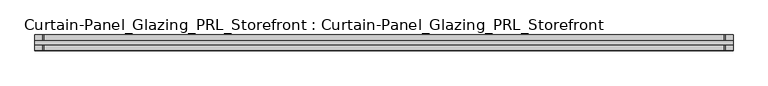
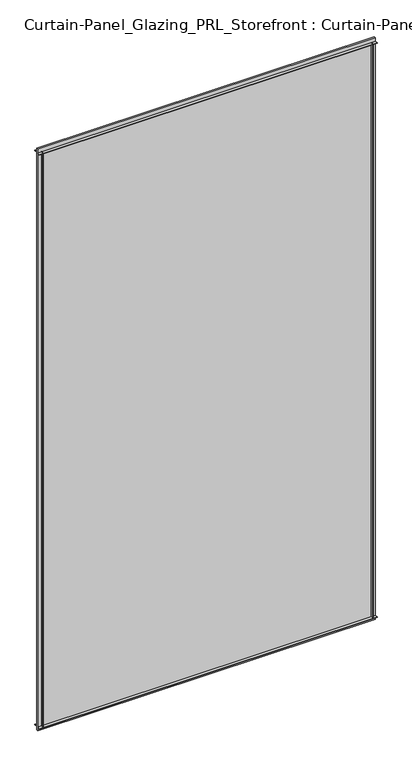
"""IFC4 building model written with IfcOpenShell, lengths in millimetres: plate geometry, Curtain-Panel_Glazing_PRL_Storefront : Curtain-Panel_Glazing_PRL_Storefront."""

import ifcopenshell
import ifcopenshell.guid

model = None  # the IFC model being written
_history = None  # IfcOwnerHistory: only IFC2X3 demands one
_inside = {}  # id of a spatial element -> (the spatial element, [elements in it])
_under = {}  # id of a project, library or spatial element -> (it, [spatial elements below it])
_declared = {}  # id of a project -> (the project, [libraries it declares])
_typed = {}  # id of a type object -> (the type object, [elements of that type])
_made_of = {}  # id of a material, layer set ... -> (it, [elements and type objects made of it])


def new_model(schema):
    """Start an empty IFC model of exactly this schema.

    Asked for "IFC4X3", IfcOpenShell would pick the latest addendum, in which some entities
    have other attributes; the version numbers below select the first issue.
    IFC2X3 requires an IfcOwnerHistory on every rooted entity: one is made here for all.
    """
    global model, _history
    if schema == "IFC4X3":
        model = ifcopenshell.file(schema_version=(4, 3, 0, 0))
    else:
        model = ifcopenshell.file(schema=schema)
    _inside.clear()
    _under.clear()
    _declared.clear()
    _typed.clear()
    _made_of.clear()
    _history = None
    if model.schema == "IFC2X3":
        org = make("IfcOrganization", Name="unknown")
        user = make(
            "IfcPersonAndOrganization",
            ThePerson=make("IfcPerson", FamilyName="unknown"),
            TheOrganization=org,
        )
        app = make(
            "IfcApplication",
            ApplicationDeveloper=org,
            Version="unknown",
            ApplicationFullName="unknown",
            ApplicationIdentifier="unknown",
        )
        _history = make(
            "IfcOwnerHistory",
            OwningUser=user,
            OwningApplication=app,
            ChangeAction="ADDED",
            CreationDate=0,
        )
    return model


def make(cls, **values):
    """One entity of the class cls with the attributes given. An attribute that is None is left unset."""
    return model.create_entity(
        cls, **{name: value for name, value in values.items() if value is not None}
    )


def rooted(cls, **values):
    """An entity with a GlobalId (a new one), such as an element, a storey or a relation."""
    return make(cls, GlobalId=ifcopenshell.guid.new(), OwnerHistory=_history, **values)


def si_unit(unit_type, name, prefix=None):
    """IfcSIUnit, for example si_unit("LENGTHUNIT", "METRE", prefix="MILLI")."""
    return make("IfcSIUnit", UnitType=unit_type, Prefix=prefix, Name=name)


def assignment(units):
    """IfcUnitAssignment: the units of a project."""
    return None if units is None else make("IfcUnitAssignment", Units=units)


def point(xyz):
    """IfcCartesianPoint."""
    return None if xyz is None else make("IfcCartesianPoint", Coordinates=xyz)


def direction(xyz):
    """IfcDirection."""
    return None if xyz is None else make("IfcDirection", DirectionRatios=xyz)


def frame(location, z_axis=None, x_axis=None):
    """IfcAxis2Placement3D, a coordinate frame: its origin and axes. An axis left out is left unset."""
    return make(
        "IfcAxis2Placement3D",
        Location=point(location),
        Axis=direction(z_axis),
        RefDirection=direction(x_axis),
    )


def origin():
    """The frame at (0, 0, 0) with its axes left unset."""
    return frame((0.0, 0.0, 0.0))


def origin_with_axes():
    """The frame at (0, 0, 0) with the z axis (0, 0, 1) and the x axis (1, 0, 0) written out."""
    return frame((0.0, 0.0, 0.0), z_axis=(0.0, 0.0, 1.0), x_axis=(1.0, 0.0, 0.0))


def place(relative_to, where):
    """IfcLocalPlacement: puts the frame where relative to a parent placement (None: the world)."""
    return make(
        "IfcLocalPlacement", PlacementRelTo=relative_to, RelativePlacement=where
    )


def context(
    kind, dimensions, precision=None, world=None, true_north=None, identifier=None
):
    """IfcGeometricRepresentationContext, for example the 3D "Model" context."""
    return make(
        "IfcGeometricRepresentationContext",
        ContextIdentifier=identifier,
        ContextType=kind,
        CoordinateSpaceDimension=dimensions,
        Precision=precision,
        WorldCoordinateSystem=world,
        TrueNorth=true_north,
    )


def project(units=None, contexts=None):
    """IfcProject with its units and contexts."""
    return rooted(
        "IfcProject",
        Name="project",
        RepresentationContexts=contexts,
        UnitsInContext=assignment(units),
    )


def spatial(cls, under=None, at=None, **own):
    """A site, building, storey or space (cls), placed at a placement, below another one or the project."""
    s = rooted(cls, ObjectPlacement=at, **own)
    if under is not None:
        _under.setdefault(under.id(), (under, []))[1].append(s)
    return s


def polyline(points):
    """IfcPolyline through the points."""
    return make("IfcPolyline", Points=[point(p) for p in points])


def outline(outer, holes=None, kind="AREA"):
    """IfcArbitraryClosedProfileDef: a profile drawn as a closed curve; with holes, ...WithVoids."""
    if holes is None:
        return make("IfcArbitraryClosedProfileDef", ProfileType=kind, OuterCurve=outer)
    return make(
        "IfcArbitraryProfileDefWithVoids",
        ProfileType=kind,
        OuterCurve=outer,
        InnerCurves=holes,
    )


def extrude(swept, where, along, depth):
    """IfcExtrudedAreaSolid: the profile swept, set in the frame where, extruded along a direction by depth."""
    return make(
        "IfcExtrudedAreaSolid",
        SweptArea=swept,
        Position=where,
        ExtrudedDirection=direction(along),
        Depth=depth,
    )


def shape(context_of_items, identifier, shape_type, items):
    """IfcShapeRepresentation: the items that make up one representation, for example the "Body"."""
    return make(
        "IfcShapeRepresentation",
        ContextOfItems=context_of_items,
        RepresentationIdentifier=identifier,
        RepresentationType=shape_type,
        Items=items,
    )


def source(mapping_origin, context_of_items, identifier, shape_type, items):
    """IfcRepresentationMap: a shape defined once, which mapped items show again and again."""
    return make(
        "IfcRepresentationMap",
        MappingOrigin=mapping_origin,
        MappedRepresentation=shape(context_of_items, identifier, shape_type, items),
    )


def transform(
    local_origin,
    x_axis=None,
    y_axis=None,
    z_axis=None,
    scale=None,
    scale2=None,
    scale3=None,
    uniform=True,
):
    """IfcCartesianTransformationOperator3D, or its non-uniform kind. x_axis, y_axis, z_axis: its Axis1, 2, 3."""
    if uniform:
        return make(
            "IfcCartesianTransformationOperator3D",
            Axis1=direction(x_axis),
            Axis2=direction(y_axis),
            LocalOrigin=point(local_origin),
            Scale=scale,
            Axis3=direction(z_axis),
        )
    return make(
        "IfcCartesianTransformationOperator3DnonUniform",
        Axis1=direction(x_axis),
        Axis2=direction(y_axis),
        LocalOrigin=point(local_origin),
        Scale=scale,
        Axis3=direction(z_axis),
        Scale2=scale2,
        Scale3=scale3,
    )


def mapped(mapping_source, mapping_target):
    """IfcMappedItem: shows the shape of a source again, moved by a transform."""
    return make(
        "IfcMappedItem", MappingSource=mapping_source, MappingTarget=mapping_target
    )


def made_of(thing, what):
    """Note that an element or type object is made of a material, layer set ...; save() writes the relation."""
    if what is not None:
        _made_of.setdefault(what.id(), (what, []))[1].append(thing)
    return thing


def element(
    cls,
    number,
    at=None,
    inside=None,
    cuts=None,
    type_object=None,
    material=None,
    context=None,
    identifier="Body",
    shape_type=None,
    held_by="IfcProductDefinitionShape",
    body=None,
    shapes=None,
    **own,
):
    """One element of the class cls, such as IfcWall. Its Tag is "e" and its number.

    at: its placement. inside: the storey or other place that contains it. cuts: it is an
    opening in that element (IfcRelVoidsElement). A single representation is given by context,
    identifier, shape_type and body (its items); several are given by shapes. held_by: the class
    of the entity that holds the representations. save() writes the other relations.
    """
    e = rooted(cls, Tag="e%d" % number, ObjectPlacement=at, **own)
    if body is not None:
        shapes = [shape(context, identifier, shape_type, body)]
    if shapes is not None:
        e.Representation = make(held_by, Representations=shapes)
    if inside is not None:
        _inside.setdefault(inside.id(), (inside, []))[1].append(e)
    if cuts is not None:
        rooted(
            "IfcRelVoidsElement", RelatingBuildingElement=cuts, RelatedOpeningElement=e
        )
    if type_object is not None:
        _typed.setdefault(type_object.id(), (type_object, []))[1].append(e)
    return made_of(e, material)


def aggregate(whole, parts):
    """IfcRelAggregates: a whole, such as a stair, and the parts it consists of."""
    return rooted("IfcRelAggregates", RelatingObject=whole, RelatedObjects=parts)


def save(model, path):
    """Write the relations noted so far, then the file.

    IfcRelAggregates (storeys below a building ...), IfcRelContainedInSpatialStructure (elements
    in a storey), IfcRelDefinesByType, IfcRelAssociatesMaterial and IfcRelDeclares: one each for
    every whole, place, type object, material and project.
    """
    for whole, parts in _under.values():
        aggregate(whole, parts)
    for where, things in _inside.values():
        rooted(
            "IfcRelContainedInSpatialStructure",
            RelatedElements=things,
            RelatingStructure=where,
        )
    for kind, things in _typed.values():
        rooted("IfcRelDefinesByType", RelatedObjects=things, RelatingType=kind)
    for what, things in _made_of.values():
        rooted("IfcRelAssociatesMaterial", RelatedObjects=things, RelatingMaterial=what)
    for by, libraries in _declared.values():
        rooted("IfcRelDeclares", RelatingContext=by, RelatedDefinitions=libraries)
    model.write(path)


def curtain_panel_glazing_prl_storefront_curtain_panel_glazing_f8b2de3a(model_context):
    return source(origin(), model_context, "Body", "SweptSolid", [
        extrude(outline(polyline([(539.75, -12.7), (538.1625, -12.7), (538.1625, -3.175), (539.75, -3.175), (539.75, -12.7)])), frame((0.0, 0.0, 12.7), z_axis=(0.0, 0.0, 1.0), x_axis=(1.0, 0.0, 0.0)), (0.0, 0.0, 1.0), 2056.60625),
        extrude(outline(polyline([(539.75, 12.7), (539.75, 3.175), (538.1625, 3.175), (538.1625, 12.7), (539.75, 12.7)])), frame((0.0, 0.0, 12.7), z_axis=(0.0, 0.0, 1.0), x_axis=(1.0, 0.0, 0.0)), (0.0, 0.0, 1.0), 2056.60625),
        extrude(outline(polyline([(-577.85, -12.7), (-577.85, -3.175), (-576.2625, -3.175), (-576.2625, -12.7), (-577.85, -12.7)])), frame((0.0, 0.0, 12.7), z_axis=(0.0, 0.0, 1.0), x_axis=(1.0, 0.0, 0.0)), (0.0, 0.0, 1.0), 2056.60625),
        extrude(outline(polyline([(-577.85, 12.7), (-576.2625, 12.7), (-576.2625, 3.175), (-577.85, 3.175), (-577.85, 12.7)])), frame((0.0, 0.0, 12.7), z_axis=(0.0, 0.0, 1.0), x_axis=(1.0, 0.0, 0.0)), (0.0, 0.0, 1.0), 2056.60625),
        extrude(outline(polyline([(552.45, 3.175), (552.45, -3.175), (-590.55, -3.175), (-590.55, 3.175), (552.45, 3.175)])), origin_with_axes(), (0.0, 0.0, 1.0), 2082.00625),
        extrude(outline(polyline([(-590.55, -12.7), (-590.55, -3.175), (552.45, -3.175), (552.45, -12.7), (-590.55, -12.7)])), frame((0.0, 0.0, 2067.71875), z_axis=(0.0, 0.0, 1.0), x_axis=(1.0, 0.0, 0.0)), (0.0, 0.0, 1.0), 1.5875),
        extrude(outline(polyline([(-590.55, 12.7), (552.45, 12.7), (552.45, 3.175), (-590.55, 3.175), (-590.55, 12.7)])), frame((0.0, 0.0, 2067.71875), z_axis=(0.0, 0.0, 1.0), x_axis=(1.0, 0.0, 0.0)), (0.0, 0.0, 1.0), 1.5875),
        extrude(outline(polyline([(-590.55, -12.7), (-590.55, -3.175), (552.45, -3.175), (552.45, -12.7), (-590.55, -12.7)])), frame((0.0, 0.0, 12.7), z_axis=(0.0, 0.0, 1.0), x_axis=(1.0, 0.0, 0.0)), (0.0, 0.0, 1.0), 1.5875),
        extrude(outline(polyline([(-590.55, 12.7), (552.45, 12.7), (552.45, 3.175), (-590.55, 3.175), (-590.55, 12.7)])), frame((0.0, 0.0, 12.7), z_axis=(0.0, 0.0, 1.0), x_axis=(1.0, 0.0, 0.0)), (0.0, 0.0, 1.0), 1.5875),
    ])


if __name__ == "__main__":
    model = new_model("IFC4")
    model_context = context("Model", 3, world=origin())
    ifc_project = project(units=[si_unit("LENGTHUNIT", "METRE", prefix="MILLI")], contexts=[model_context])
    site = spatial("IfcSite", under=ifc_project)
    building = spatial("IfcBuilding", under=site)
    placement = place(None, origin())
    curtain_panel_glazing_prl_storefront_curtain_panel_glazing_shape = curtain_panel_glazing_prl_storefront_curtain_panel_glazing_f8b2de3a(model_context)
    element("IfcPlate", 1, ObjectType="Curtain-Panel_Glazing_PRL_Storefront : Curtain-Panel_Glazing_PRL_Storefront", at=placement, inside=building, context=model_context, shape_type="MappedRepresentation", body=[
        mapped(curtain_panel_glazing_prl_storefront_curtain_panel_glazing_shape, transform((0.0, 0.0, 0.0), x_axis=(1.0, 0.0, 0.0), y_axis=(0.0, 1.0, 0.0), z_axis=(0.0, 0.0, 1.0))),
    ])
    save(model, "model.ifc")
